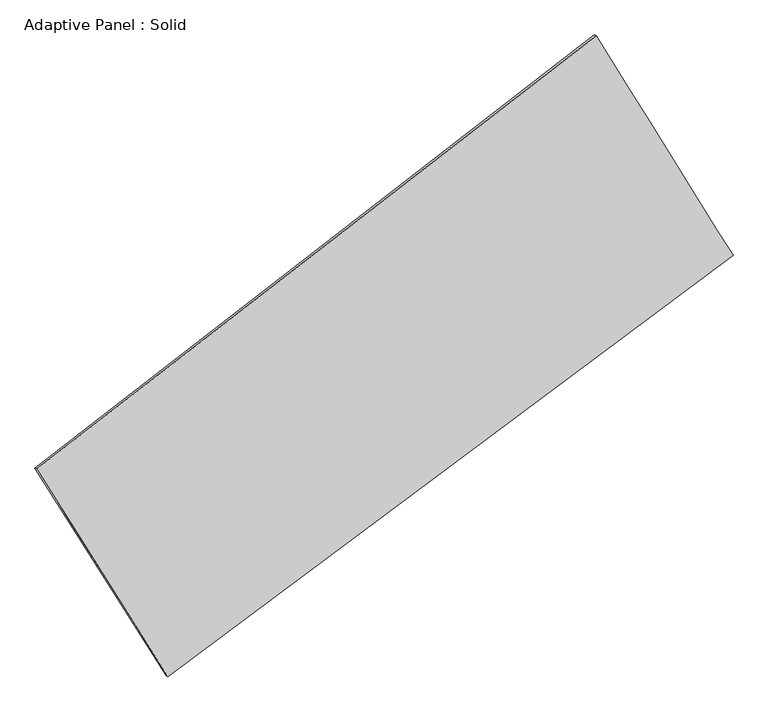
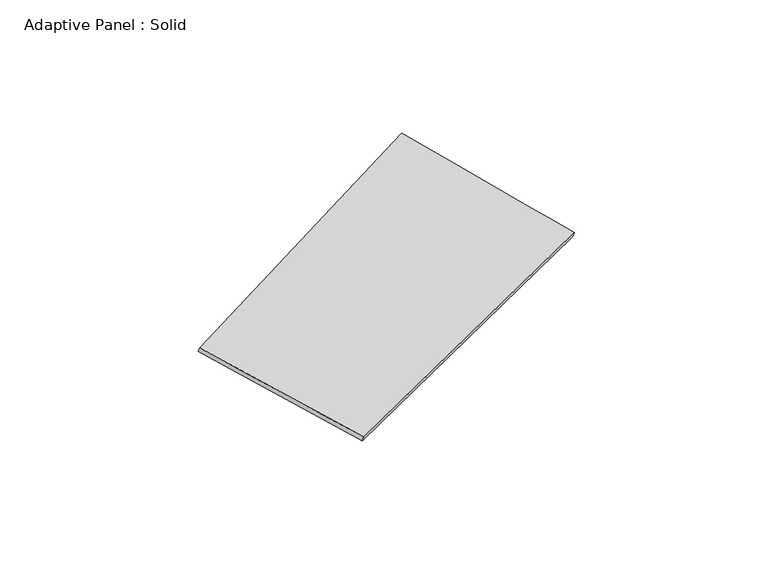
"""IFC4 building model written with IfcOpenShell, lengths in millimetres: plate geometry, Adaptive Panel : Solid."""

from ifc_helpers import new_model, si_unit, frame, origin, place, context, project, spatial, source, transform, mapped, element, save
from ifc_brep_helpers import plane_surface, spline_surface, advanced_brep


def adaptive_panel_solid_0e1b5f32(model_context):
    return source(origin(), model_context, "Body", "AdvancedBrep", [
        advanced_brep(
        [(1099.7994727, 2561.5495007, 704.1629967), (-3503.9445878, -1003.4534937, 1615.4904109), (-3489.278232, -1009.8335871, 1662.8633189), (1114.4658285, 2555.1694072, 751.5359047), (-2424.7754942, -2711.73899, 1086.1871476), (-2410.1091383, -2718.1190835, 1133.5600556), (2225.6300312, 753.3944102, 79.281965), (2240.296387, 747.0143167, 126.654873)],
        [
            (0, 1),
            (1, 2),
            (2, 3),
            (3, 0),
            (1, 4),
            (4, 5),
            (5, 2),
            (4, 6),
            (6, 7),
            (7, 5),
            (6, 0),
            (3, 7),
        ],
        [
            plane_surface(frame((-1202.0725576, 779.0480035, 1159.8267038), z_axis=(-0.553391189805127, 0.7854724164624324, 0.2771123851846632), x_axis=(-0.781146291128405, -0.604896542958418, 0.15463067022195826))),
            plane_surface(frame((-2964.360041, -1857.5962419, 1350.8387793), z_axis=(-0.8073033185882671, -0.563904855788042, 0.17399041759544842), x_axis=(0.5166501187389629, -0.8178383811116712, -0.2534029147181547))),
            plane_surface(frame((-99.5727315, -979.1722899, 582.7345563), z_axis=(0.5359376165000345, -0.7987312479707631, -0.2734945424232994), x_axis=(0.7900530587554979, 0.588688282553443, -0.17106218265695017))),
            plane_surface(frame((1662.7147519, 1657.4719554, 391.7224809), z_axis=(0.8077684152604662, 0.5631630225610222, -0.17423431730726513), x_axis=(-0.507182567279618, 0.8145672845137405, 0.28150662949132604))),
            spline_surface(1, 1, [[(-3489.278232, -1009.8335871, 1662.8633189), (1114.4658285, 2555.1694072, 751.5359047)], [(-2410.1091383, -2718.1190835, 1133.5600556), (2240.296387, 747.0143167, 126.654873)]], [2, 2], [2, 2], [0.0, 1.0], [0.0, 1.0]),
            spline_surface(1, 1, [[(2225.6300312, 753.3944102, 79.281965), (1099.7994727, 2561.5495007, 704.1629967)], [(-2424.7754942, -2711.73899, 1086.1871476), (-3503.9445878, -1003.4534937, 1615.4904109)]], [2, 2], [2, 2], [0.0, 1.0], [0.0, 1.0]),
        ],
        [
            (0, [[1, 2, 3, 4]]),
            (1, [[5, 6, 7, -2]]),
            (2, [[8, 9, 10, -6]]),
            (3, [[11, -4, 12, -9]]),
            (4, [[-3, -7, -10, -12]]),
            (5, [[-11, -8, -5, -1]]),
        ],
    ),
    ])


if __name__ == "__main__":
    model = new_model("IFC4")
    model_context = context("Model", 3, world=origin())
    ifc_project = project(units=[si_unit("LENGTHUNIT", "METRE", prefix="MILLI")], contexts=[model_context])
    site = spatial("IfcSite", under=ifc_project)
    building = spatial("IfcBuilding", under=site)
    placement = place(None, origin())
    adaptive_panel_solid_shape = adaptive_panel_solid_0e1b5f32(model_context)
    element("IfcPlate", 1, ObjectType="Adaptive Panel : Solid", at=placement, inside=building, context=model_context, shape_type="MappedRepresentation", body=[
        mapped(adaptive_panel_solid_shape, transform((0.0, 0.0, 0.0), x_axis=(1.0, 0.0, 0.0), y_axis=(0.0, 1.0, 0.0), z_axis=(0.0, 0.0, 1.0))),
    ])
    save(model, "model.ifc")
